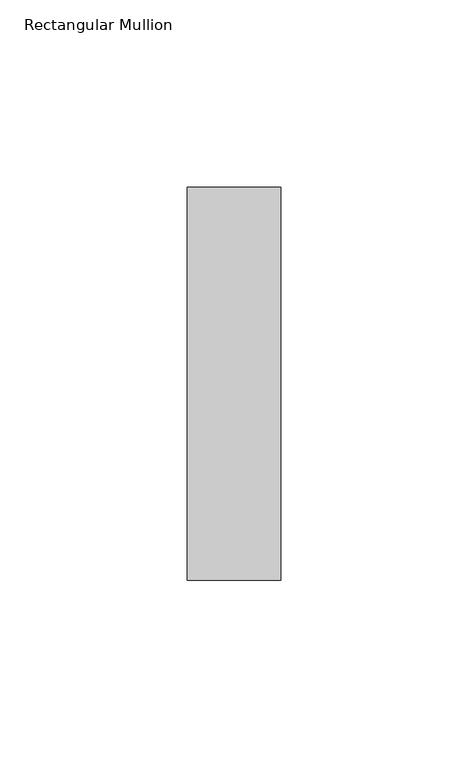
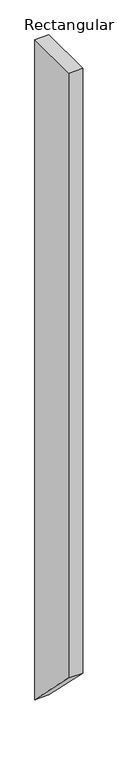
"""IFC4 building model written with IfcOpenShell, lengths in millimetres: member geometry, Rectangular Mullion."""

from ifc_helpers import new_model, si_unit, frame, origin, place, context, project, spatial, polyline, outline, extrude, source, transform, mapped, element, save


def rectangular_mullion_87b7fad6(model_context):
    return source(origin(), model_context, "Body", "SweptSolid", [
        extrude(outline(polyline([(-52.5, 0.0), (52.5, 0.0), (52.5, -1252.5000003), (-52.5, -1147.5000003), (-52.5, 0.0)])), frame((-25.0, 0.0, 0.0), z_axis=(1.0, 0.0, 0.0), x_axis=(0.0, 1.0, 0.0)), (0.0, 0.0, 1.0), 25.0),
    ])


if __name__ == "__main__":
    model = new_model("IFC4")
    model_context = context("Model", 3, world=origin())
    ifc_project = project(units=[si_unit("LENGTHUNIT", "METRE", prefix="MILLI")], contexts=[model_context])
    site = spatial("IfcSite", under=ifc_project)
    building = spatial("IfcBuilding", under=site)
    placement = place(None, origin())
    rectangular_mullion_shape = rectangular_mullion_87b7fad6(model_context)
    element("IfcMember", 1, ObjectType="Rectangular Mullion", at=placement, inside=building, context=model_context, shape_type="MappedRepresentation", body=[
        mapped(rectangular_mullion_shape, transform((0.0, 0.0, 0.0), x_axis=(1.0, 0.0, 0.0), y_axis=(0.0, 1.0, 0.0), z_axis=(0.0, 0.0, 1.0))),
    ])
    save(model, "model.ifc")
